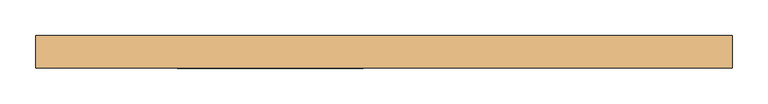
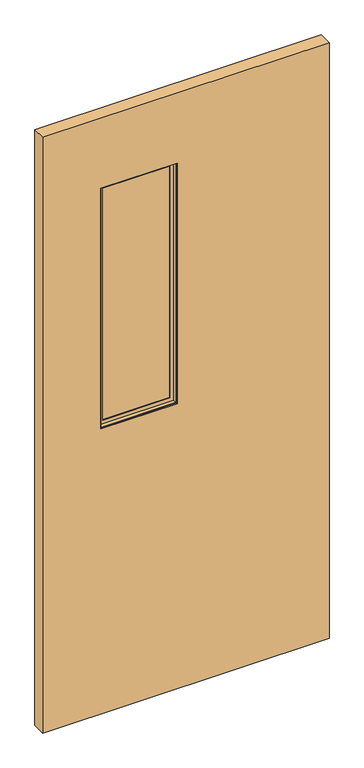
"""IFC4 building model written with IfcOpenShell, lengths in millimetres: door geometry."""

from ifc_helpers import new_model, si_unit, frame, origin, place, context, project, spatial, polyline, outline, extrude, faceted_brep, source, transform, mapped, element, save


def door_26221d27(model_context):
    return source(origin(), model_context, "Body", "SolidModel", [
        extrude(outline(polyline([(-29.4464326, -3.175), (-291.0664326, -3.175), (-291.0664326, 3.175), (-29.4464326, 3.175), (-29.4464326, -3.175)])), frame((0.0, 0.0, 1044.9435027), z_axis=(0.0, 0.0, 1.0), x_axis=(1.0, 0.0, 0.0)), (0.0, 0.0, 1.0), 871.22),
        faceted_brep([(-275.1758536, 3.797467, 1900.2729238), (-275.1758536, 3.797467, 1060.8340817), (-275.1758536, 6.9755828, 1060.8340817), (-275.1758536, 6.9755828, 1900.2729238), (-45.3370115, 3.797467, 1060.8340817), (-45.3370115, 6.9755828, 1060.8340817), (-32.6245484, 6.9755828, 1048.1216185), (-287.8883168, 6.9755828, 1048.1216185), (-287.8883168, 6.9755828, 1912.9853869), (-32.6245484, 6.9755828, 1912.9853869), (-45.3370115, 6.9755828, 1900.2729238), (-45.3370115, 3.797467, 1900.2729238), (-291.0664326, 3.797467, 1044.9435027), (-29.4464326, 3.797467, 1044.9435027), (-29.4464326, 3.797467, 1916.1635027), (-291.0664326, 3.797467, 1916.1635027), (-291.0664326, 19.688046, 1916.1635027), (-291.0664326, 19.688046, 1044.9435027), (-29.4464326, 19.688046, 1044.9435027), (-29.4464326, 19.688046, 1916.1635027), (-287.8883168, 19.688046, 1048.1216185), (-32.6245484, 19.688046, 1048.1216185), (-32.6245484, 19.688046, 1912.9853869), (-287.8883168, 19.688046, 1912.9853869)], [[[0, 1, 2, 3]], [[1, 4, 5, 2]], [[6, 7, 8, 9], [2, 5, 10, 3]], [[4, 11, 10, 5]], [[12, 13, 14, 15], [4, 1, 0, 11]], [[16, 17, 12, 15]], [[17, 18, 13, 12]], [[18, 19, 14, 13]], [[18, 17, 16, 19], [20, 21, 22, 23]], [[8, 7, 20, 23]], [[7, 6, 21, 20]], [[6, 9, 22, 21]], [[11, 0, 3, 10]], [[19, 16, 15, 14]], [[9, 8, 23, 22]]]),
        faceted_brep([(-287.8883168, -19.688046, 1912.9853869), (-287.8883168, -19.688046, 1048.1216185), (-287.8883168, -6.9755828, 1048.1216185), (-287.8883168, -6.9755828, 1912.9853869), (-32.6245484, -19.688046, 1048.1216185), (-32.6245484, -6.9755828, 1048.1216185), (-32.6245484, -6.9755828, 1912.9853869), (-45.3370115, -6.9755828, 1060.8340817), (-275.1758536, -6.9755828, 1060.8340817), (-275.1758536, -6.9755828, 1900.2729238), (-45.3370115, -6.9755828, 1900.2729238), (-32.6245484, -19.688046, 1912.9853869), (-291.0664326, -19.688046, 1044.9435027), (-29.4464326, -19.688046, 1044.9435027), (-29.4464326, -19.688046, 1916.1635027), (-291.0664326, -19.688046, 1916.1635027), (-291.0664326, -3.797467, 1916.1635027), (-291.0664326, -3.797467, 1044.9435027), (-29.4464326, -3.797467, 1044.9435027), (-29.4464326, -3.797467, 1916.1635027), (-275.1758536, -3.797467, 1060.8340817), (-45.3370115, -3.797467, 1060.8340817), (-45.3370115, -3.797467, 1900.2729238), (-275.1758536, -3.797467, 1900.2729238)], [[[0, 1, 2, 3]], [[1, 4, 5, 2]], [[2, 5, 6, 3], [7, 8, 9, 10]], [[4, 11, 6, 5]], [[12, 13, 14, 15], [4, 1, 0, 11]], [[16, 17, 12, 15]], [[17, 18, 13, 12]], [[18, 19, 14, 13]], [[18, 17, 16, 19], [20, 21, 22, 23]], [[9, 8, 20, 23]], [[8, 7, 21, 20]], [[7, 10, 22, 21]], [[11, 0, 3, 6]], [[19, 16, 15, 14]], [[10, 9, 23, 22]]]),
        extrude(outline(polyline([(2170.1635027, -490.4564326), (12.7, -490.4564326), (12.7, 490.4564326), (2170.1635027, 490.4564326), (2170.1635027, -490.4564326)]), holes=[polyline([(1916.1635027, -29.4464326), (1044.9435027, -29.4464326), (1044.9435027, -291.0664326), (1916.1635027, -291.0664326), (1916.1635027, -29.4464326)])]), frame((0.0, -23.114, 0.0), z_axis=(0.0, 1.0, 0.0), x_axis=(0.0, 0.0, 1.0)), (0.0, 0.0, 1.0), 46.228),
        extrude(outline(polyline([(465.0564326, 9.8925062), (-465.0564326, 9.8925062), (-465.0564326, 11.4927062), (465.0564326, 11.4927062), (465.0564326, 9.8925062)])), frame((0.0, 0.0, 12.7), z_axis=(0.0, 0.0, 1.0), x_axis=(1.0, 0.0, 0.0)), (0.0, 0.0, 1.0), 254.0),
        extrude(outline(polyline([(465.0564326, 21.5634094), (-465.0564326, 21.5634094), (-465.0564326, 23.114), (465.0564326, 23.114), (465.0564326, 21.5634094)])), frame((0.0, 0.0, 12.7), z_axis=(0.0, 0.0, 1.0), x_axis=(1.0, 0.0, 0.0)), (0.0, 0.0, 1.0), 254.0),
    ])


if __name__ == "__main__":
    model = new_model("IFC4")
    model_context = context("Model", 3, world=origin())
    ifc_project = project(units=[si_unit("LENGTHUNIT", "METRE", prefix="MILLI")], contexts=[model_context])
    site = spatial("IfcSite", under=ifc_project)
    building = spatial("IfcBuilding", under=site)
    placement = place(None, origin())
    door_shape = door_26221d27(model_context)
    element("IfcDoor", 1, at=placement, inside=building, context=model_context, shape_type="MappedRepresentation", body=[
        mapped(door_shape, transform((0.0, 0.0, 0.0), x_axis=(1.0, 0.0, 0.0), y_axis=(0.0, 1.0, 0.0), z_axis=(0.0, 0.0, 1.0))),
    ])
    save(model, "model.ifc")
